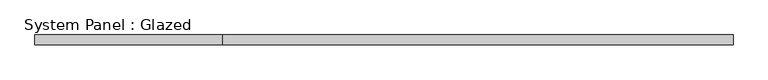
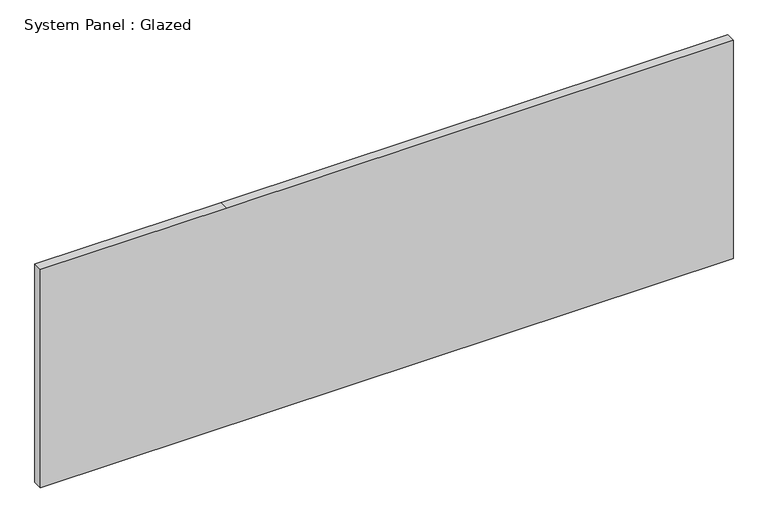
"""IFC4 building model written with IfcOpenShell, lengths in millimetres: plate geometry, System Panel : Glazed."""

from ifc_helpers import new_model, si_unit, frame, origin, place, context, project, spatial, polyline, outline, extrude, source, transform, mapped, element, save


def system_panel_glazed_1179de84(model_context):
    return source(origin(), model_context, "Body", "SweptSolid", [
        extrude(outline(polyline([(0.0, -914.4), (0.0, 914.4), (609.6, 914.4), (609.6, -422.3977062), (609.6, -914.4), (0.0, -914.4)])), frame((0.0, 19.05, 0.0), z_axis=(0.0, 1.0, 0.0), x_axis=(0.0, 0.0, 1.0)), (0.0, 0.0, 1.0), 25.4),
    ])


if __name__ == "__main__":
    model = new_model("IFC4")
    model_context = context("Model", 3, world=origin())
    ifc_project = project(units=[si_unit("LENGTHUNIT", "METRE", prefix="MILLI")], contexts=[model_context])
    site = spatial("IfcSite", under=ifc_project)
    building = spatial("IfcBuilding", under=site)
    placement = place(None, origin())
    system_panel_glazed_shape = system_panel_glazed_1179de84(model_context)
    element("IfcPlate", 1, ObjectType="System Panel : Glazed", at=placement, inside=building, context=model_context, shape_type="MappedRepresentation", body=[
        mapped(system_panel_glazed_shape, transform((0.0, 0.0, 0.0), x_axis=(1.0, 0.0, 0.0), y_axis=(0.0, 1.0, 0.0), z_axis=(0.0, 0.0, 1.0))),
    ])
    save(model, "model.ifc")
